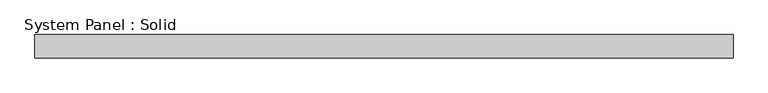
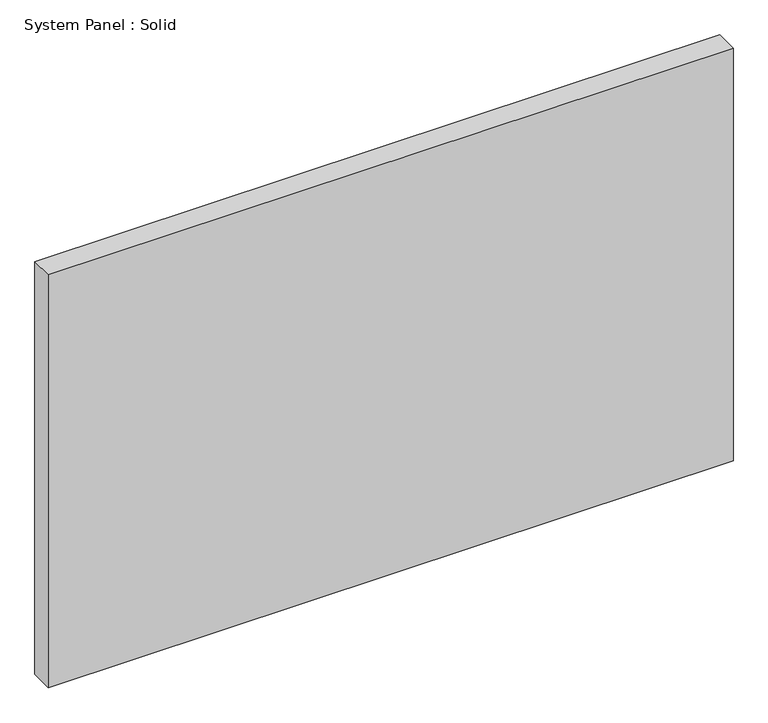
"""IFC4 building model written with IfcOpenShell, lengths in millimetres: plate geometry, System Panel : Solid."""

from ifc_helpers import new_model, si_unit, origin, origin_with_axes, place, context, project, spatial, polyline, outline, extrude, source, transform, mapped, element, save


def system_panel_solid_3ee1d73e(model_context):
    return source(origin(), model_context, "Body", "SweptSolid", [
        extrude(outline(polyline([(894.7305791, -10.5), (-894.7305791, -10.5), (-894.7305791, 49.5), (894.7305791, 49.5), (894.7305791, -10.5)])), origin_with_axes(), (0.0, 0.0, 1.0), 1140.0),
    ])


if __name__ == "__main__":
    model = new_model("IFC4")
    model_context = context("Model", 3, world=origin())
    ifc_project = project(units=[si_unit("LENGTHUNIT", "METRE", prefix="MILLI")], contexts=[model_context])
    site = spatial("IfcSite", under=ifc_project)
    building = spatial("IfcBuilding", under=site)
    placement = place(None, origin())
    system_panel_solid_shape = system_panel_solid_3ee1d73e(model_context)
    element("IfcPlate", 1, ObjectType="System Panel : Solid", at=placement, inside=building, context=model_context, shape_type="MappedRepresentation", body=[
        mapped(system_panel_solid_shape, transform((0.0, 0.0, 0.0), x_axis=(1.0, 0.0, 0.0), y_axis=(0.0, 1.0, 0.0), z_axis=(0.0, 0.0, 1.0))),
    ])
    save(model, "model.ifc")
